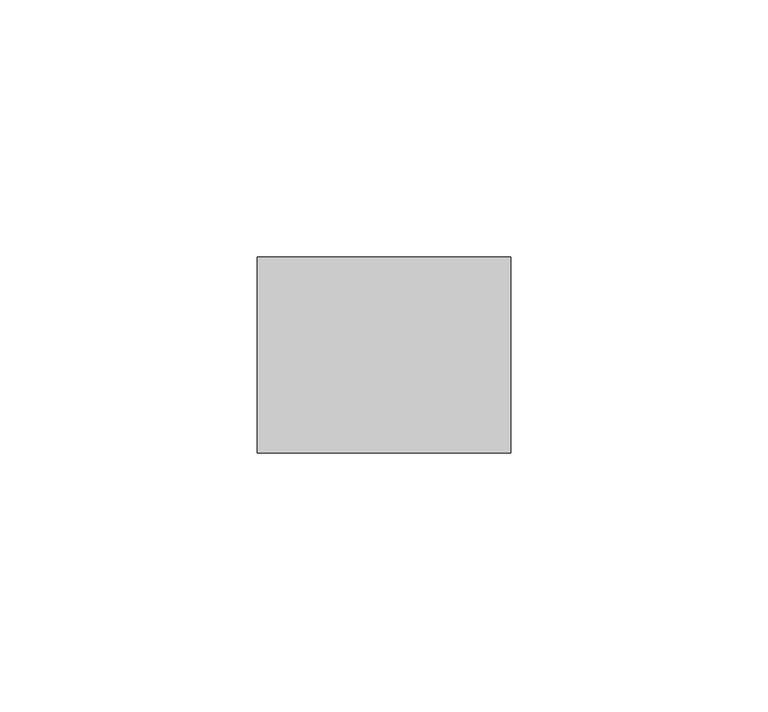
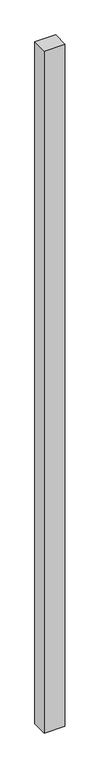
"""IFC4 building model written with IfcOpenShell, lengths in millimetres: plate geometry."""

from ifc_helpers import new_model, si_unit, origin, origin_with_axes, place, context, project, spatial, polyline, outline, extrude, source, transform, mapped, element, save


def plate_5d0b126a(model_context):
    return source(origin(), model_context, "Body", "SweptSolid", [
        extrude(outline(polyline([(24.6340206, -19.05), (-24.6340206, -19.05), (-24.6340206, 19.05), (24.6340206, 19.05), (24.6340206, -19.05)])), origin_with_axes(), (0.0, 0.0, 1.0), 1708.8912252),
    ])


if __name__ == "__main__":
    model = new_model("IFC4")
    model_context = context("Model", 3, world=origin())
    ifc_project = project(units=[si_unit("LENGTHUNIT", "METRE", prefix="MILLI")], contexts=[model_context])
    site = spatial("IfcSite", under=ifc_project)
    building = spatial("IfcBuilding", under=site)
    placement = place(None, origin())
    plate_shape = plate_5d0b126a(model_context)
    element("IfcPlate", 1, at=placement, inside=building, context=model_context, shape_type="MappedRepresentation", body=[
        mapped(plate_shape, transform((0.0, 0.0, 0.0), x_axis=(1.0, 0.0, 0.0), y_axis=(0.0, 1.0, 0.0), z_axis=(0.0, 0.0, 1.0))),
    ])
    save(model, "model.ifc")
